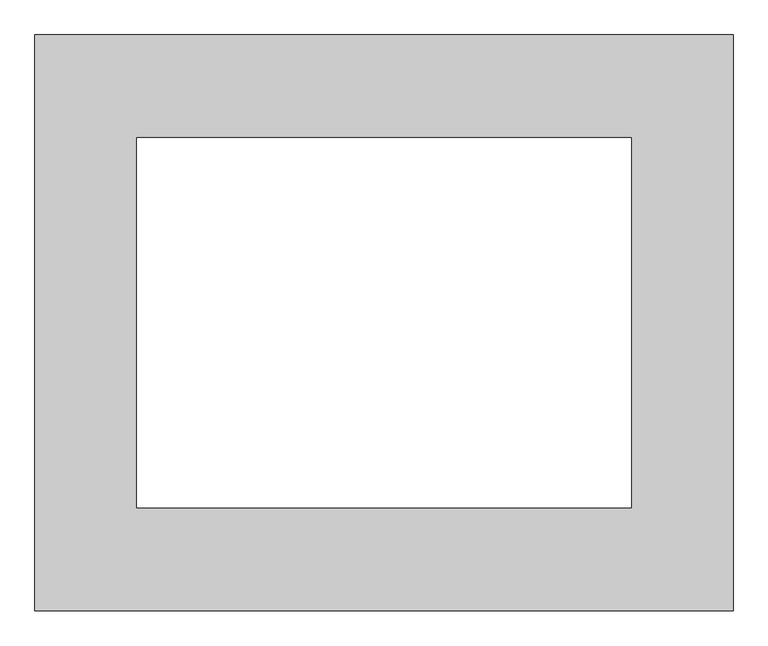
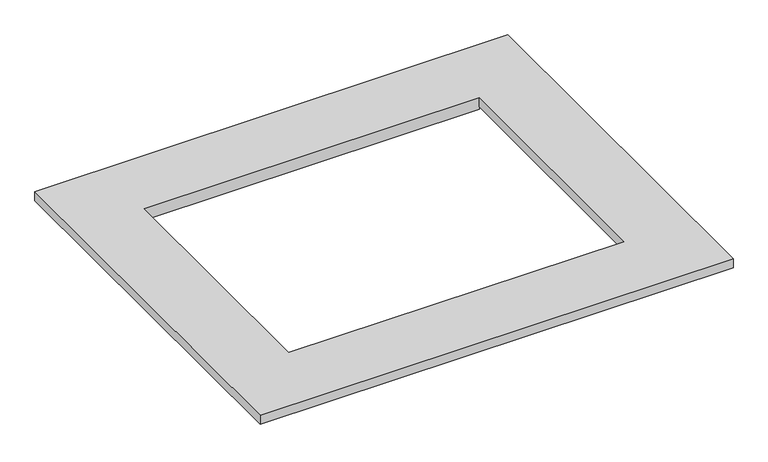
"""IFC4 building model written with IfcOpenShell, lengths in millimetres: proxy geometry."""

from ifc_helpers import new_model, si_unit, origin, place, context, project, spatial, faceted_brep, source, transform, mapped, element, save


def generic_models_dcf7ad84(model_context):
    return source(origin(), model_context, "Body", "Brep", [
        faceted_brep([(-631.0338803, 520.446, 25.4), (-631.0338803, -520.446, 25.4), (631.0159197, -520.446, 25.4), (631.0159197, 520.446, 25.4), (446.8659197, 334.5942, 25.4), (446.8659197, -334.5942, 25.4), (-446.8838803, -334.5942, 25.4), (-446.8838803, 334.5942, 25.4), (-631.0338803, 520.446, 0.0), (631.0159197, 520.446, 0.0), (631.0159197, -520.446, 0.0), (-631.0338803, -520.446, 0.0), (-446.8838803, 334.5942, 0.0), (-446.8838803, -334.5942, 0.0), (-446.8838803, -335.6102, 0.0), (446.8659197, -335.6102, 0.0), (446.8659197, -334.5942, 0.0), (446.8659197, 334.5942, 0.0), (446.8659197, 335.6102, 0.0), (-446.8838803, 335.6102, 0.0), (446.8659197, -334.5942, -7.7978), (-446.8838803, -334.5942, -7.7978), (-446.8838803, 334.5942, -7.7978), (446.8659197, 334.5942, -7.7978), (446.8659197, 348.2086, -7.7978), (446.8659197, 348.2086, -6.7818), (446.8659197, 335.6102, -6.7818), (-446.8838803, 335.6102, -6.7818), (-446.8838803, 348.2086, -6.7818), (-446.8838803, 348.2086, -7.7978), (446.8659197, -335.6102, -6.7818), (446.8659197, -348.2086, -6.7818), (446.8659197, -348.2086, -7.7978), (-446.8838803, -348.2086, -7.7978), (-446.8838803, -348.2086, -6.7818), (-446.8838803, -335.6102, -6.7818)], [[[0, 1, 2, 3], [4, 5, 6, 7]], [[8, 9, 10, 11], [12, 13, 14, 15, 16, 17, 18, 19]], [[1, 0, 8, 11]], [[2, 1, 11, 10]], [[3, 2, 10, 9]], [[0, 3, 9, 8]], [[5, 4, 17, 16]], [[6, 5, 16, 20, 21, 13]], [[7, 6, 13, 12]], [[4, 7, 12, 22, 23, 17]], [[23, 24, 25, 26, 18, 17]], [[27, 28, 29, 22, 12, 19]], [[26, 27, 19, 18]], [[26, 25, 28, 27]], [[25, 24, 29, 28]], [[24, 23, 22, 29]], [[30, 31, 32, 20, 16, 15]], [[21, 33, 34, 35, 14, 13]], [[35, 30, 15, 14]], [[31, 30, 35, 34]], [[32, 31, 34, 33]], [[20, 32, 33, 21]]]),
    ])


if __name__ == "__main__":
    model = new_model("IFC4")
    model_context = context("Model", 3, world=origin())
    ifc_project = project(units=[si_unit("LENGTHUNIT", "METRE", prefix="MILLI")], contexts=[model_context])
    site = spatial("IfcSite", under=ifc_project)
    building = spatial("IfcBuilding", under=site)
    placement = place(None, origin())
    generic_models_shape = generic_models_dcf7ad84(model_context)
    element("IfcBuildingElementProxy", 1, Name="Generic Models", at=placement, inside=building, context=model_context, shape_type="MappedRepresentation", body=[
        mapped(generic_models_shape, transform((0.0, 0.0, 0.0), x_axis=(1.0, 0.0, 0.0), y_axis=(0.0, 1.0, 0.0), z_axis=(0.0, 0.0, 1.0))),
    ])
    save(model, "model.ifc")
